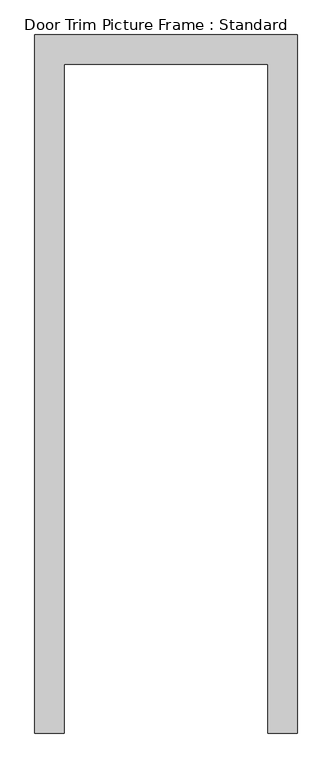
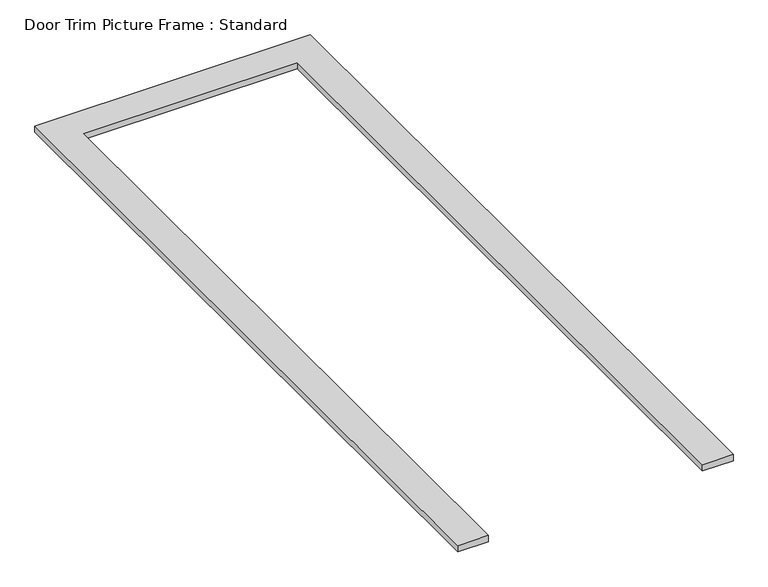
"""IFC4 building model written with IfcOpenShell, lengths in millimetres: proxy geometry, Door Trim Picture Frame : Standard."""

from ifc_helpers import new_model, si_unit, origin, origin_with_axes, place, context, project, spatial, polyline, outline, extrude, source, transform, mapped, element, save


def door_trim_picture_frame_standard_38197ad0(model_context):
    return source(origin(), model_context, "Body", "SweptSolid", [
        extrude(outline(polyline([(-311.15, -2057.4), (-400.05, -2057.4), (-400.05, 69.85), (400.05, 69.85), (400.05, -2057.4), (311.15, -2057.4), (311.15, -19.05), (-311.15, -19.05), (-311.15, -2057.4)])), origin_with_axes(), (0.0, 0.0, 1.0), 19.05),
    ])


if __name__ == "__main__":
    model = new_model("IFC4")
    model_context = context("Model", 3, world=origin())
    ifc_project = project(units=[si_unit("LENGTHUNIT", "METRE", prefix="MILLI")], contexts=[model_context])
    site = spatial("IfcSite", under=ifc_project)
    building = spatial("IfcBuilding", under=site)
    placement = place(None, origin())
    door_trim_picture_frame_standard_shape = door_trim_picture_frame_standard_38197ad0(model_context)
    element("IfcBuildingElementProxy", 1, Name="Door Trim Picture Frame : Standard", ObjectType="Door Trim Picture Frame : Standard", at=placement, inside=building, context=model_context, shape_type="MappedRepresentation", body=[
        mapped(door_trim_picture_frame_standard_shape, transform((0.0, 0.0, 0.0), x_axis=(1.0, 0.0, 0.0), y_axis=(0.0, 1.0, 0.0), z_axis=(0.0, 0.0, 1.0))),
    ])
    save(model, "model.ifc")
